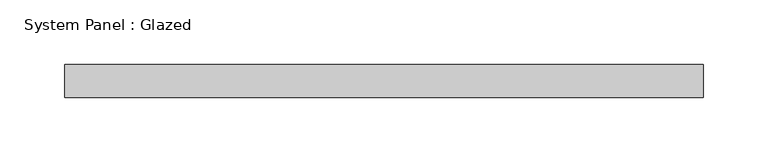
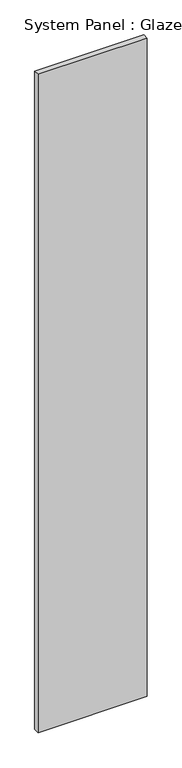
"""IFC4 building model written with IfcOpenShell, lengths in millimetres: plate geometry, System Panel : Glazed."""

from ifc_helpers import new_model, si_unit, origin, origin_with_axes, place, context, project, spatial, polyline, outline, extrude, source, transform, mapped, element, save


def system_panel_glazed_586227dc(model_context):
    return source(origin(), model_context, "Body", "SweptSolid", [
        extrude(outline(polyline([(246.025, 19.05), (-246.025, 19.05), (-246.025, 44.45), (246.025, 44.45), (246.025, 19.05)])), origin_with_axes(), (0.0, 0.0, 1.0), 3136.5),
    ])


if __name__ == "__main__":
    model = new_model("IFC4")
    model_context = context("Model", 3, world=origin())
    ifc_project = project(units=[si_unit("LENGTHUNIT", "METRE", prefix="MILLI")], contexts=[model_context])
    site = spatial("IfcSite", under=ifc_project)
    building = spatial("IfcBuilding", under=site)
    placement = place(None, origin())
    system_panel_glazed_shape = system_panel_glazed_586227dc(model_context)
    element("IfcPlate", 1, ObjectType="System Panel : Glazed", at=placement, inside=building, context=model_context, shape_type="MappedRepresentation", body=[
        mapped(system_panel_glazed_shape, transform((0.0, 0.0, 0.0), x_axis=(1.0, 0.0, 0.0), y_axis=(0.0, 1.0, 0.0), z_axis=(0.0, 0.0, 1.0))),
    ])
    save(model, "model.ifc")
